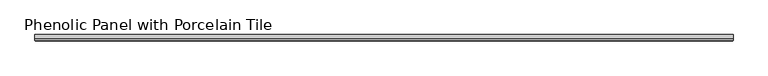
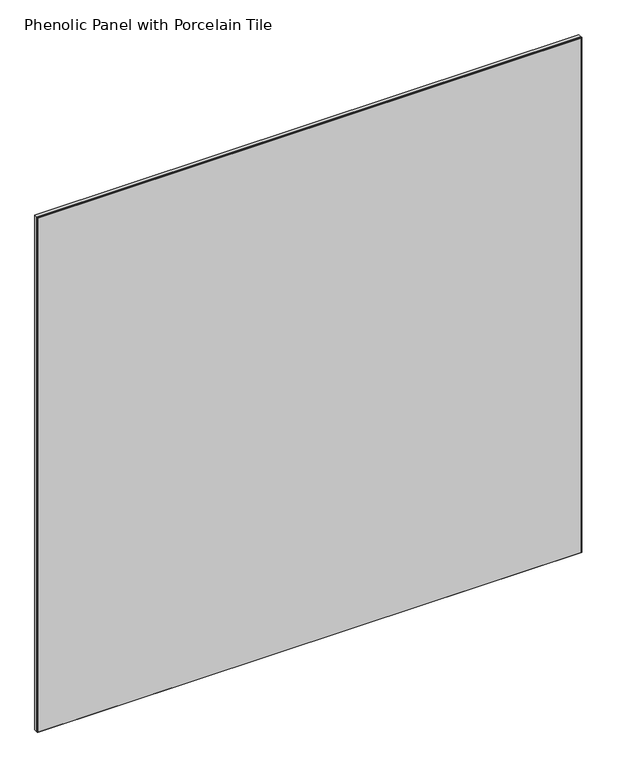
"""IFC4 building model written with IfcOpenShell, lengths in millimetres: proxy geometry, Phenolic Panel with Porcelain Tile."""

import ifcopenshell
import ifcopenshell.guid

model = None  # the IFC model being written
_history = None  # IfcOwnerHistory: only IFC2X3 demands one
_inside = {}  # id of a spatial element -> (the spatial element, [elements in it])
_under = {}  # id of a project, library or spatial element -> (it, [spatial elements below it])
_declared = {}  # id of a project -> (the project, [libraries it declares])
_typed = {}  # id of a type object -> (the type object, [elements of that type])
_made_of = {}  # id of a material, layer set ... -> (it, [elements and type objects made of it])


def new_model(schema):
    """Start an empty IFC model of exactly this schema.

    Asked for "IFC4X3", IfcOpenShell would pick the latest addendum, in which some entities
    have other attributes; the version numbers below select the first issue.
    IFC2X3 requires an IfcOwnerHistory on every rooted entity: one is made here for all.
    """
    global model, _history
    if schema == "IFC4X3":
        model = ifcopenshell.file(schema_version=(4, 3, 0, 0))
    else:
        model = ifcopenshell.file(schema=schema)
    _inside.clear()
    _under.clear()
    _declared.clear()
    _typed.clear()
    _made_of.clear()
    _history = None
    if model.schema == "IFC2X3":
        org = make("IfcOrganization", Name="unknown")
        user = make(
            "IfcPersonAndOrganization",
            ThePerson=make("IfcPerson", FamilyName="unknown"),
            TheOrganization=org,
        )
        app = make(
            "IfcApplication",
            ApplicationDeveloper=org,
            Version="unknown",
            ApplicationFullName="unknown",
            ApplicationIdentifier="unknown",
        )
        _history = make(
            "IfcOwnerHistory",
            OwningUser=user,
            OwningApplication=app,
            ChangeAction="ADDED",
            CreationDate=0,
        )
    return model


def make(cls, **values):
    """One entity of the class cls with the attributes given. An attribute that is None is left unset."""
    return model.create_entity(
        cls, **{name: value for name, value in values.items() if value is not None}
    )


def rooted(cls, **values):
    """An entity with a GlobalId (a new one), such as an element, a storey or a relation."""
    return make(cls, GlobalId=ifcopenshell.guid.new(), OwnerHistory=_history, **values)


def si_unit(unit_type, name, prefix=None):
    """IfcSIUnit, for example si_unit("LENGTHUNIT", "METRE", prefix="MILLI")."""
    return make("IfcSIUnit", UnitType=unit_type, Prefix=prefix, Name=name)


def assignment(units):
    """IfcUnitAssignment: the units of a project."""
    return None if units is None else make("IfcUnitAssignment", Units=units)


def point(xyz):
    """IfcCartesianPoint."""
    return None if xyz is None else make("IfcCartesianPoint", Coordinates=xyz)


def direction(xyz):
    """IfcDirection."""
    return None if xyz is None else make("IfcDirection", DirectionRatios=xyz)


def frame(location, z_axis=None, x_axis=None):
    """IfcAxis2Placement3D, a coordinate frame: its origin and axes. An axis left out is left unset."""
    return make(
        "IfcAxis2Placement3D",
        Location=point(location),
        Axis=direction(z_axis),
        RefDirection=direction(x_axis),
    )


def origin():
    """The frame at (0, 0, 0) with its axes left unset."""
    return frame((0.0, 0.0, 0.0))


def origin_with_axes():
    """The frame at (0, 0, 0) with the z axis (0, 0, 1) and the x axis (1, 0, 0) written out."""
    return frame((0.0, 0.0, 0.0), z_axis=(0.0, 0.0, 1.0), x_axis=(1.0, 0.0, 0.0))


def place(relative_to, where):
    """IfcLocalPlacement: puts the frame where relative to a parent placement (None: the world)."""
    return make(
        "IfcLocalPlacement", PlacementRelTo=relative_to, RelativePlacement=where
    )


def context(
    kind, dimensions, precision=None, world=None, true_north=None, identifier=None
):
    """IfcGeometricRepresentationContext, for example the 3D "Model" context."""
    return make(
        "IfcGeometricRepresentationContext",
        ContextIdentifier=identifier,
        ContextType=kind,
        CoordinateSpaceDimension=dimensions,
        Precision=precision,
        WorldCoordinateSystem=world,
        TrueNorth=true_north,
    )


def project(units=None, contexts=None):
    """IfcProject with its units and contexts."""
    return rooted(
        "IfcProject",
        Name="project",
        RepresentationContexts=contexts,
        UnitsInContext=assignment(units),
    )


def spatial(cls, under=None, at=None, **own):
    """A site, building, storey or space (cls), placed at a placement, below another one or the project."""
    s = rooted(cls, ObjectPlacement=at, **own)
    if under is not None:
        _under.setdefault(under.id(), (under, []))[1].append(s)
    return s


def polyline(points):
    """IfcPolyline through the points."""
    return make("IfcPolyline", Points=[point(p) for p in points])


def outline(outer, holes=None, kind="AREA"):
    """IfcArbitraryClosedProfileDef: a profile drawn as a closed curve; with holes, ...WithVoids."""
    if holes is None:
        return make("IfcArbitraryClosedProfileDef", ProfileType=kind, OuterCurve=outer)
    return make(
        "IfcArbitraryProfileDefWithVoids",
        ProfileType=kind,
        OuterCurve=outer,
        InnerCurves=holes,
    )


def extrude(swept, where, along, depth):
    """IfcExtrudedAreaSolid: the profile swept, set in the frame where, extruded along a direction by depth."""
    return make(
        "IfcExtrudedAreaSolid",
        SweptArea=swept,
        Position=where,
        ExtrudedDirection=direction(along),
        Depth=depth,
    )


def faces_of(points, faces, orient=None, outer=None):
    """IfcFace entities. A face is a list of loops; a loop is a list of indices into points, from 0.

    orient and outer hold one flag for each loop. By default every Orientation is true, the
    first loop of a face is its IfcFaceOuterBound and the others are IfcFaceBound.
    """
    made = []
    for i, loops in enumerate(faces):
        bounds = []
        for j, loop in enumerate(loops):
            is_outer = j == 0 if outer is None else outer[i][j]
            bounds.append(
                make(
                    "IfcFaceOuterBound" if is_outer else "IfcFaceBound",
                    Bound=make("IfcPolyLoop", Polygon=[points[k] for k in loop]),
                    Orientation=True if orient is None else orient[i][j],
                )
            )
        made.append(make("IfcFace", Bounds=bounds))
    return made


def faceted_brep(points, faces, orient=None, outer=None, voids=None):
    """IfcFacetedBrep: a solid bounded by flat faces; with voids (closed shells), ...WithVoids."""
    shared = [point(p) for p in points]
    hull = make("IfcClosedShell", CfsFaces=faces_of(shared, faces, orient, outer))
    if voids is None:
        return make("IfcFacetedBrep", Outer=hull)
    return make(
        "IfcFacetedBrepWithVoids",
        Outer=hull,
        Voids=[
            make(cls, CfsFaces=faces_of(shared, fs, o, b)) for cls, fs, o, b in voids
        ],
    )


def shape(context_of_items, identifier, shape_type, items):
    """IfcShapeRepresentation: the items that make up one representation, for example the "Body"."""
    return make(
        "IfcShapeRepresentation",
        ContextOfItems=context_of_items,
        RepresentationIdentifier=identifier,
        RepresentationType=shape_type,
        Items=items,
    )


def source(mapping_origin, context_of_items, identifier, shape_type, items):
    """IfcRepresentationMap: a shape defined once, which mapped items show again and again."""
    return make(
        "IfcRepresentationMap",
        MappingOrigin=mapping_origin,
        MappedRepresentation=shape(context_of_items, identifier, shape_type, items),
    )


def transform(
    local_origin,
    x_axis=None,
    y_axis=None,
    z_axis=None,
    scale=None,
    scale2=None,
    scale3=None,
    uniform=True,
):
    """IfcCartesianTransformationOperator3D, or its non-uniform kind. x_axis, y_axis, z_axis: its Axis1, 2, 3."""
    if uniform:
        return make(
            "IfcCartesianTransformationOperator3D",
            Axis1=direction(x_axis),
            Axis2=direction(y_axis),
            LocalOrigin=point(local_origin),
            Scale=scale,
            Axis3=direction(z_axis),
        )
    return make(
        "IfcCartesianTransformationOperator3DnonUniform",
        Axis1=direction(x_axis),
        Axis2=direction(y_axis),
        LocalOrigin=point(local_origin),
        Scale=scale,
        Axis3=direction(z_axis),
        Scale2=scale2,
        Scale3=scale3,
    )


def mapped(mapping_source, mapping_target):
    """IfcMappedItem: shows the shape of a source again, moved by a transform."""
    return make(
        "IfcMappedItem", MappingSource=mapping_source, MappingTarget=mapping_target
    )


def made_of(thing, what):
    """Note that an element or type object is made of a material, layer set ...; save() writes the relation."""
    if what is not None:
        _made_of.setdefault(what.id(), (what, []))[1].append(thing)
    return thing


def element(
    cls,
    number,
    at=None,
    inside=None,
    cuts=None,
    type_object=None,
    material=None,
    context=None,
    identifier="Body",
    shape_type=None,
    held_by="IfcProductDefinitionShape",
    body=None,
    shapes=None,
    **own,
):
    """One element of the class cls, such as IfcWall. Its Tag is "e" and its number.

    at: its placement. inside: the storey or other place that contains it. cuts: it is an
    opening in that element (IfcRelVoidsElement). A single representation is given by context,
    identifier, shape_type and body (its items); several are given by shapes. held_by: the class
    of the entity that holds the representations. save() writes the other relations.
    """
    e = rooted(cls, Tag="e%d" % number, ObjectPlacement=at, **own)
    if body is not None:
        shapes = [shape(context, identifier, shape_type, body)]
    if shapes is not None:
        e.Representation = make(held_by, Representations=shapes)
    if inside is not None:
        _inside.setdefault(inside.id(), (inside, []))[1].append(e)
    if cuts is not None:
        rooted(
            "IfcRelVoidsElement", RelatingBuildingElement=cuts, RelatedOpeningElement=e
        )
    if type_object is not None:
        _typed.setdefault(type_object.id(), (type_object, []))[1].append(e)
    return made_of(e, material)


def aggregate(whole, parts):
    """IfcRelAggregates: a whole, such as a stair, and the parts it consists of."""
    return rooted("IfcRelAggregates", RelatingObject=whole, RelatedObjects=parts)


def save(model, path):
    """Write the relations noted so far, then the file.

    IfcRelAggregates (storeys below a building ...), IfcRelContainedInSpatialStructure (elements
    in a storey), IfcRelDefinesByType, IfcRelAssociatesMaterial and IfcRelDeclares: one each for
    every whole, place, type object, material and project.
    """
    for whole, parts in _under.values():
        aggregate(whole, parts)
    for where, things in _inside.values():
        rooted(
            "IfcRelContainedInSpatialStructure",
            RelatedElements=things,
            RelatingStructure=where,
        )
    for kind, things in _typed.values():
        rooted("IfcRelDefinesByType", RelatedObjects=things, RelatingType=kind)
    for what, things in _made_of.values():
        rooted("IfcRelAssociatesMaterial", RelatedObjects=things, RelatingMaterial=what)
    for by, libraries in _declared.values():
        rooted("IfcRelDeclares", RelatingContext=by, RelatedDefinitions=libraries)
    model.write(path)


def phenolic_panel_with_porcelain_tile_d63251b1(model_context):
    return source(origin(), model_context, "Body", "SolidModel", [
        faceted_brep([(-73.025, -3.175, 1063.625), (-73.025, -5.55625, 1063.625), (990.6, -5.5546839, 1063.625), (990.6, -3.175, 1063.625), (-73.025, -3.175, 0.0), (990.6, -3.175, 0.0), (990.6, -5.55625, 0.0), (-73.025, -5.5571697, 0.0), (-72.23125, -6.35, 1062.8296839), (-72.23125, -6.35, 0.7926621), (989.80625, -6.35, 0.7926621), (989.80625, -6.35, 1062.8296839)], [[[0, 1, 2, 3]], [[4, 5, 6, 7]], [[1, 0, 4, 7]], [[8, 9, 10, 11]], [[3, 2, 6, 5]], [[1, 7, 9, 8]], [[6, 2, 11, 10]], [[2, 1, 8, 11]], [[7, 6, 10, 9]], [[0, 3, 5, 4]]]),
        extrude(outline(polyline([(990.6, 3.175), (990.6, -3.175), (-73.025, -3.175), (-73.025, 3.175), (990.6, 3.175)])), origin_with_axes(), (0.0, 0.0, 1.0), 1063.625),
    ])


if __name__ == "__main__":
    model = new_model("IFC4")
    model_context = context("Model", 3, world=origin())
    ifc_project = project(units=[si_unit("LENGTHUNIT", "METRE", prefix="MILLI")], contexts=[model_context])
    site = spatial("IfcSite", under=ifc_project)
    building = spatial("IfcBuilding", under=site)
    placement = place(None, origin())
    phenolic_panel_with_porcelain_tile_shape = phenolic_panel_with_porcelain_tile_d63251b1(model_context)
    element("IfcBuildingElementProxy", 1, Name="Phenolic Panel with Porcelain Tile", ObjectType="Phenolic Panel with Porcelain Tile", at=placement, inside=building, context=model_context, shape_type="MappedRepresentation", body=[
        mapped(phenolic_panel_with_porcelain_tile_shape, transform((0.0, 0.0, 0.0), x_axis=(1.0, 0.0, 0.0), y_axis=(0.0, 1.0, 0.0), z_axis=(0.0, 0.0, 1.0))),
    ])
    save(model, "model.ifc")
